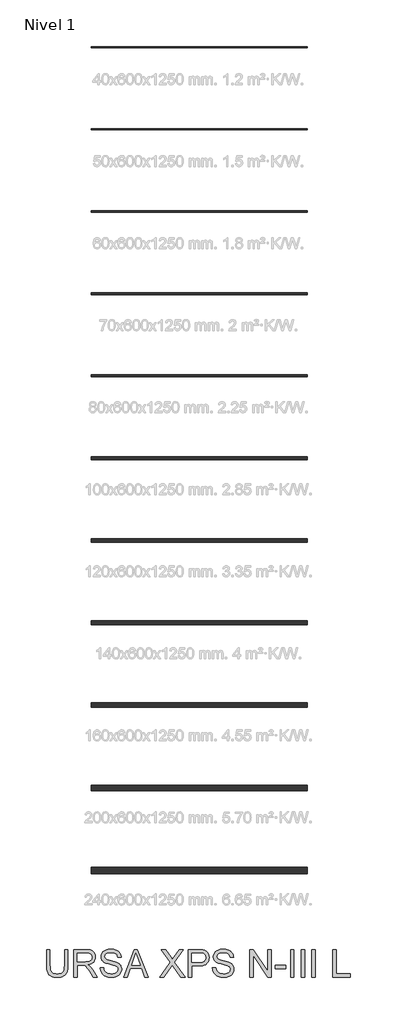
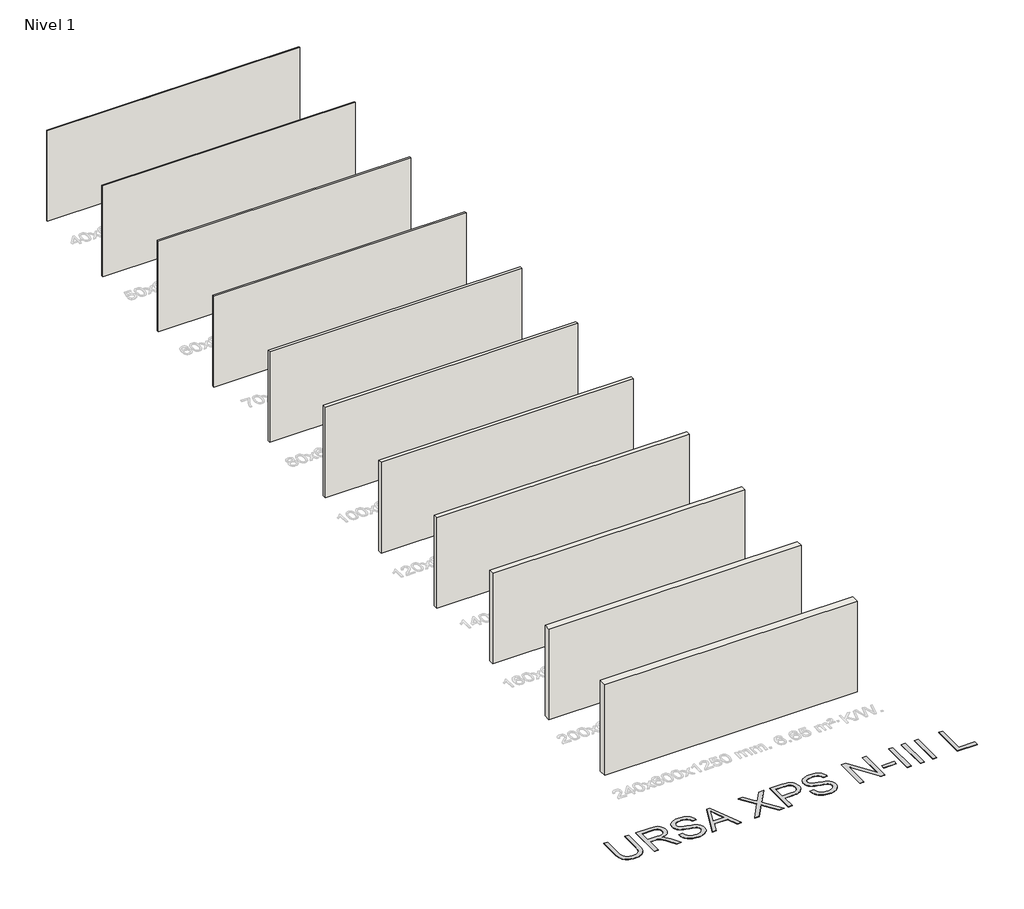
# One storey, part 1 of 12: 11 walls, 1 proxy.
"""IFC4 building model written with IfcOpenShell, lengths in millimetres."""

from ifc_helpers import new_model, si_unit, origin, origin_with_axes, place, context, project, spatial, polyline, outline, extrude, element, save

model = new_model("IFC4")

# Units and contexts
model_context = context("Model", 3, world=origin())
ifc_project = project(units=[si_unit("LENGTHUNIT", "METRE", prefix="MILLI")], contexts=[model_context])

# Site, building, storey
site = spatial("IfcSite", under=ifc_project)
building = spatial("IfcBuilding", under=site)
storey = spatial("IfcBuildingStorey", under=building, Name="Nivel 1", Elevation=0.0)

# Proxy
placement = place(None, origin())
element("IfcBuildingElementProxy", 1, Name="Texto de modelo 2", ObjectType="Texto de modelo 2", at=placement, inside=storey, context=model_context, shape_type="SweptSolid", body=[
    extrude(outline(polyline([(-7512.76778, -29053.8387308), (-7387.1973923, -29053.8387308), (-7387.1973923, -29633.3755006), (-7389.3280422, -29705.1354823), (-7395.7199918, -29769.0933), (-7406.3732413, -29825.2489537), (-7421.2877905, -29873.6024434), (-7441.7512265, -29915.985515), (-7469.0511362, -29954.229914), (-7503.1875197, -29988.3356407), (-7544.1603769, -30018.3026949), (-7592.0156931, -30042.7131981), (-7646.7994535, -30060.1492718), (-7708.5116582, -30070.6109161), (-7777.1523072, -30074.0981308), (-7844.0991661, -30071.0631043), (-7904.6540753, -30061.958025), (-7958.8170349, -30046.7828927), (-8006.5880448, -30025.5377074), (-8047.9747693, -29998.5367018), (-8082.9848725, -29966.0941084), (-8111.6183544, -29928.2099271), (-8133.8752152, -29884.8841579), (-8150.5601965, -29834.6299446), (-8162.4780403, -29775.9604305), (-8169.6287466, -29708.8756159), (-8172.0123153, -29633.3755006), (-8172.0123153, -29053.8387308), (-8046.4419276, -29053.8387308), (-8046.4419276, -29628.9609166), (-8044.8937576, -29689.66911), (-8040.2492474, -29741.8087187), (-8032.5083971, -29785.3797425), (-8021.6712066, -29820.3821815), (-8007.0632257, -29849.3452244), (-7988.0100041, -29874.7980599), (-7964.5115416, -29896.7406881), (-7936.5678384, -29915.1731089), (-7904.715389, -29929.7657614), (-7869.490688, -29940.1890846), (-7830.8937353, -29946.4430785), (-7788.924531, -29948.5277431), (-7719.7167307, -29944.4043991), (-7661.208165, -29932.034367), (-7613.3988341, -29911.4176468), (-7593.5063816, -29898.0167788), (-7576.2887378, -29882.5542386), (-7561.4010133, -29864.1601389), (-7548.4983187, -29841.9645918), (-7528.6480194, -29786.1691559), (-7516.7378398, -29715.1679308), (-7512.76778, -29628.9609166), (-7512.76778, -29053.8387308)])), origin_with_axes(), (0.0, 0.0, 1.0), 10.0),
    extrude(outline(polyline([(-7167.4492138, -30058.4018323), (-7167.4492138, -29053.8387308), (-6734.5747328, -29053.8387308), (-6672.4409967, -29055.5325209), (-6618.2320519, -29060.6138909), (-6571.9478983, -29069.082841), (-6533.5885361, -29080.9393712), (-6500.9236806, -29097.0955221), (-6471.7230473, -29118.4633347), (-6445.986636, -29145.0428088), (-6423.7144469, -29176.8339446), (-6405.7418786, -29212.1276235), (-6392.9043298, -29249.2147271), (-6385.2018005, -29288.0952555), (-6382.6342908, -29328.7692086), (-6386.8879263, -29380.3646584), (-6399.6488331, -29427.7294653), (-6420.9170109, -29470.8636292), (-6450.6924599, -29509.7671502), (-6489.3583904, -29543.1984265), (-6537.2980129, -29569.9158564), (-6594.5113274, -29589.9194399), (-6660.9983338, -29603.209177), (-6619.6116093, -29630.2485036), (-6589.6292267, -29656.9199483), (-6538.1870611, -29717.9270458), (-6487.8485414, -29786.1691559), (-6320.3396063, -30058.4018323), (-6466.266131, -30058.4018323), (-6596.9868666, -29850.1806231), (-6649.2874236, -29770.7181121), (-6691.4099121, -29712.3475022), (-6726.5119858, -29672.1563942), (-6757.7512985, -29647.2323891), (-6787.3351423, -29632.6090798), (-6817.4708091, -29623.3200594), (-6890.3114441, -29618.9054754), (-7041.8788261, -29618.9054754), (-7041.8788261, -30058.4018323), (-7167.4492138, -30058.4018323)]), holes=[polyline([(-7041.8788261, -29493.3350877), (-6760.8169818, -29493.3350877), (-6680.0975407, -29488.889847), (-6617.465631, -29475.5541246), (-6592.2810428, -29465.3300709), (-6570.315422, -29452.4388726), (-6551.5687686, -29436.8805299), (-6536.0410828, -29418.6550427), (-6523.8626559, -29398.6591234), (-6515.1637795, -29377.7894844), (-6509.9444537, -29356.0461257), (-6508.2046785, -29333.4290472), (-6511.5232806, -29301.3160147), (-6521.4790871, -29272.176695), (-6538.072098, -29246.0110881), (-6561.3023131, -29222.819194), (-6591.7062272, -29203.827286), (-6629.8203347, -29190.2616374), (-6675.6446357, -29182.1222482), (-6729.1791302, -29179.4091185), (-7041.8788261, -29179.4091185), (-7041.8788261, -29493.3350877)])]), origin_with_axes(), (0.0, 0.0, 1.0), 10.0),
    extrude(outline(polyline([(-6209.9750077, -29713.0832662), (-6084.40462, -29713.0832662), (-6078.6564638, -29749.6338753), (-6069.9959085, -29782.7662475), (-6058.4229541, -29812.4803828), (-6043.9376006, -29838.7762812), (-6025.8040839, -29862.1827732), (-6003.2866401, -29883.228689), (-5976.3852692, -29901.9140286), (-5945.0999712, -29918.2387922), (-5910.5803773, -29931.4902082), (-5873.9761188, -29940.9555054), (-5835.2871956, -29946.6346837), (-5794.5136078, -29948.5277431), (-5724.5547151, -29942.7949154), (-5692.8402214, -29935.6288807), (-5663.3023629, -29925.5964321), (-5636.6692393, -29913.0577874), (-5613.6689504, -29898.3731644), (-5594.3014962, -29881.5425632), (-5578.5668767, -29862.5659836), (-5566.3884498, -29842.263496), (-5557.6895734, -29821.4551706), (-5552.4702476, -29800.1410075), (-5550.7304724, -29778.3210067), (-5555.942134, -29736.2904887), (-5571.5771187, -29699.9621417), (-5584.7289001, -29683.8443118), (-5603.3375977, -29668.9680836), (-5627.4032115, -29655.3334572), (-5656.9257416, -29642.9404325), (-5723.2364713, -29623.2280889), (-5839.7630932, -29594.9931457), (-5959.7845942, -29563.2633237), (-6003.5855442, -29547.9732282), (-6036.5799607, -29533.0663432), (-6070.1108717, -29513.0627597), (-6099.089243, -29490.8212274), (-6123.5150746, -29466.3417463), (-6143.3883666, -29439.6243164), (-6158.7857609, -29410.9448492), (-6169.7838997, -29380.5792562), (-6176.382783, -29348.5275374), (-6178.5824108, -29314.7896928), (-6175.8616169, -29277.3960208), (-6167.6992351, -29241.2439506), (-6154.0952655, -29206.333482), (-6135.049708, -29172.6646153), (-6110.7771606, -29141.6092435), (-6081.4922209, -29114.53926), (-6047.1948891, -29091.4546648), (-6007.885165, -29072.3554579), (-5964.8889568, -29057.3872593), (-5919.5321725, -29046.6956888), (-5871.8148121, -29040.2807465), (-5821.7368755, -29038.1424324), (-5767.1063992, -29040.3803812), (-5715.7868609, -29047.0942276), (-5667.7782605, -29058.2839716), (-5623.0805981, -29073.9496132), (-5582.5216081, -29093.9531967), (-5546.9290251, -29118.1567663), (-5516.302849, -29146.560322), (-5490.6430798, -29179.1638639), (-5470.148987, -29215.01703), (-5455.0198399, -29253.1694586), (-5445.2556387, -29293.6211496), (-5440.8563831, -29336.3721031), (-5566.4267708, -29336.3721031), (-5574.826743, -29296.3036225), (-5589.4807092, -29261.4468035), (-5610.3886692, -29231.801646), (-5637.5506232, -29207.3681502), (-5671.4724089, -29188.2689432), (-5712.6598639, -29174.6266526), (-5761.1129883, -29166.4412782), (-5816.8317822, -29163.7128201), (-5874.3286724, -29166.4106214), (-5923.4562471, -29174.5040253), (-5964.2145065, -29187.9930317), (-5996.6034505, -29206.8776408), (-6021.282201, -29229.5790256), (-6038.90988, -29254.5183592), (-6049.4864873, -29281.6956416), (-6053.0120231, -29311.1108728), (-6050.5134912, -29336.4180884), (-6043.0178956, -29359.3647278), (-6030.5252361, -29379.9507911), (-6013.035513, -29398.1762783), (-5985.505677, -29415.4360753), (-5942.1569152, -29432.8798132), (-5882.9892277, -29450.5074921), (-5808.0026143, -29468.3191121), (-5669.5563568, -29501.9803146), (-5620.8426493, -29517.2014322), (-5585.8018892, -29531.3495606), (-5547.3045713, -29552.7940152), (-5514.2181843, -29576.9056143), (-5486.5427284, -29603.6843579), (-5464.2782035, -29633.1302459), (-5447.1640265, -29665.0899942), (-5434.9396144, -29699.4103187), (-5427.6049671, -29736.0912193), (-5425.1600847, -29775.1326961), (-5427.9728491, -29814.4117632), (-5436.4111424, -29852.5411992), (-5450.4749645, -29889.5210039), (-5470.1643154, -29925.3511774), (-5495.1343058, -29958.644498), (-5525.0400464, -29988.0137439), (-5559.881537, -30013.4589153), (-5599.6587777, -30034.980012), (-5643.2144731, -30052.094189), (-5689.3913277, -30064.3186011), (-5738.1893415, -30071.6532484), (-5789.6085146, -30074.0981308), (-5853.8422438, -30071.4616432), (-5912.6343851, -30063.5521803), (-5965.9849386, -30050.3697421), (-6013.8939043, -30031.9143287), (-6056.652522, -30008.1552832), (-6094.5520317, -29979.0619487), (-6127.5924334, -29944.6343253), (-6155.7737271, -29904.872413), (-6178.4751119, -29861.0637988), (-6195.0757869, -29814.4960695), (-6205.5757522, -29765.1692253), (-6209.9750077, -29713.0832662)])), origin_with_axes(), (0.0, 0.0, 1.0), 10.0),
    extrude(outline(polyline([(-5353.7909776, -30058.4018323), (-4952.7996029, -29053.8387308), (-4845.8685696, -29053.8387308), (-4444.8771949, -30058.4018323), (-4577.5599678, -30058.4018323), (-4692.5844049, -29744.4758631), (-5106.3290222, -29744.4758631), (-5221.1082047, -30058.4018323), (-5353.7909776, -30058.4018323)]), holes=[polyline([(-5060.2211455, -29618.9054754), (-4738.447027, -29618.9054754), (-4828.9459978, -29371.9340293), (-4899.3340862, -29179.4091185), (-4961.8740254, -29350.351619), (-5060.2211455, -29618.9054754)])]), origin_with_axes(), (0.0, 0.0, 1.0), 10.0),
    extrude(outline(polyline([(-4028.1895216, -30058.4018323), (-3640.9324081, -29510.9934235), (-3965.4043278, -29053.8387308), (-3814.8179644, -29053.8387308), (-3632.1032402, -29311.1108728), (-3588.5092237, -29376.2872996), (-3570.5443196, -29411.4200302), (-3498.4394486, -29309.3940902), (-3317.6867616, -29053.8387308), (-3164.8931063, -29053.8387308), (-3489.365026, -29512.4649515), (-3102.1079125, -30058.4018323), (-3252.6942758, -30058.4018323), (-3510.7021818, -29694.4439118), (-3564.4129531, -29618.9054754), (-3623.519327, -29701.8015517), (-3875.3958663, -30058.4018323), (-4028.1895216, -30058.4018323)])), origin_with_axes(), (0.0, 0.0, 1.0), 10.0),
    extrude(outline(polyline([(-2976.5375248, -30058.4018323), (-2976.5375248, -29053.8387308), (-2604.2409457, -29053.8387308), (-2517.5434221, -29056.2299638), (-2454.1450916, -29063.4036627), (-2419.2039663, -29070.9375794), (-2387.2212253, -29081.2765963), (-2358.1968688, -29094.4207134), (-2332.1308966, -29110.3699308), (-2308.7473972, -29129.4538093), (-2287.7704593, -29152.0019099), (-2269.2000828, -29178.0142326), (-2253.0362676, -29207.4907775), (-2239.9457999, -29239.45819), (-2230.5954659, -29272.9431158), (-2224.9852655, -29307.9455548), (-2223.1151986, -29344.465507), (-2228.1659119, -29406.1317265), (-2243.3180515, -29462.8621958), (-2268.5716177, -29514.656915), (-2303.9266103, -29561.5158842), (-2326.1623944, -29582.3242095), (-2352.464041, -29600.3580915), (-2382.8315501, -29615.6175301), (-2417.2649216, -29628.1025253), (-2455.7641556, -29637.8130771), (-2498.3292521, -29644.7491856), (-2595.6570324, -29650.2980724), (-2850.9671371, -29650.2980724), (-2850.9671371, -30058.4018323), (-2976.5375248, -30058.4018323)]), holes=[polyline([(-2850.9671371, -29524.7276847), (-2588.2993925, -29524.7276847), (-2527.9054317, -29521.8459424), (-2476.9537753, -29513.2007155), (-2435.4444235, -29498.792004), (-2403.3773763, -29478.6198079), (-2379.4497182, -29453.2206219), (-2362.3585338, -29423.1309403), (-2352.1038232, -29388.3507634), (-2348.6855863, -29348.880091), (-2350.7012731, -29319.5721587), (-2356.7483334, -29292.4715184), (-2366.8267672, -29267.57817), (-2380.9365746, -29244.8921137), (-2398.3266631, -29225.1491133), (-2418.2459403, -29209.0849328), (-2440.6944062, -29196.6995723), (-2465.6720608, -29187.9930317), (-2514.1098568, -29181.5550968), (-2591.2424485, -29179.4091185), (-2850.9671371, -29179.4091185), (-2850.9671371, -29524.7276847)])]), origin_with_axes(), (0.0, 0.0, 1.0), 10.0),
    extrude(outline(polyline([(-2097.544811, -29713.0832662), (-1971.9744233, -29713.0832662), (-1966.2262671, -29749.6338753), (-1957.5657118, -29782.7662475), (-1945.9927574, -29812.4803828), (-1931.5074038, -29838.7762812), (-1913.3738871, -29862.1827732), (-1890.8564433, -29883.228689), (-1863.9550724, -29901.9140286), (-1832.6697744, -29918.2387922), (-1798.1501806, -29931.4902082), (-1761.545922, -29940.9555054), (-1722.8569989, -29946.6346837), (-1682.0834111, -29948.5277431), (-1612.1245183, -29942.7949154), (-1580.4100247, -29935.6288807), (-1550.8721661, -29925.5964321), (-1524.2390425, -29913.0577874), (-1501.2387536, -29898.3731644), (-1481.8712994, -29881.5425632), (-1466.1366799, -29862.5659836), (-1453.958253, -29842.263496), (-1445.2593767, -29821.4551706), (-1440.0400509, -29800.1410075), (-1438.3002756, -29778.3210067), (-1443.5119372, -29736.2904887), (-1459.146922, -29699.9621417), (-1472.2987033, -29683.8443118), (-1490.9074009, -29668.9680836), (-1514.9730148, -29655.3334572), (-1544.4955449, -29642.9404325), (-1610.8062745, -29623.2280889), (-1727.3328965, -29594.9931457), (-1847.3543974, -29563.2633237), (-1891.1553475, -29547.9732282), (-1924.1497639, -29533.0663432), (-1957.6806749, -29513.0627597), (-1986.6590462, -29490.8212274), (-2011.0848779, -29466.3417463), (-2030.9581698, -29439.6243164), (-2046.3555642, -29410.9448492), (-2057.353703, -29380.5792562), (-2063.9525863, -29348.5275374), (-2066.152214, -29314.7896928), (-2063.4314201, -29277.3960208), (-2055.2690383, -29241.2439506), (-2041.6650687, -29206.333482), (-2022.6195113, -29172.6646153), (-1998.3469638, -29141.6092435), (-1969.0620241, -29114.53926), (-1934.7646923, -29091.4546648), (-1895.4549683, -29072.3554579), (-1852.4587601, -29057.3872593), (-1807.1019758, -29046.6956888), (-1759.3846153, -29040.2807465), (-1709.3066787, -29038.1424324), (-1654.6762024, -29040.3803812), (-1603.3566641, -29047.0942276), (-1555.3480637, -29058.2839716), (-1510.6504013, -29073.9496132), (-1470.0914114, -29093.9531967), (-1434.4988283, -29118.1567663), (-1403.8726522, -29146.560322), (-1378.2128831, -29179.1638639), (-1357.7187902, -29215.01703), (-1342.5896432, -29253.1694586), (-1332.8254419, -29293.6211496), (-1328.4261864, -29336.3721031), (-1453.9965741, -29336.3721031), (-1462.3965463, -29296.3036225), (-1477.0505124, -29261.4468035), (-1497.9584725, -29231.801646), (-1525.1204265, -29207.3681502), (-1559.0422121, -29188.2689432), (-1600.2296671, -29174.6266526), (-1648.6827916, -29166.4412782), (-1704.4015854, -29163.7128201), (-1761.8984756, -29166.4106214), (-1811.0260504, -29174.5040253), (-1851.7843098, -29187.9930317), (-1884.1732538, -29206.8776408), (-1908.8520043, -29229.5790256), (-1926.4796832, -29254.5183592), (-1937.0562906, -29281.6956416), (-1940.5818264, -29311.1108728), (-1938.0832945, -29336.4180884), (-1930.5876988, -29359.3647278), (-1918.0950394, -29379.9507911), (-1900.6053162, -29398.1762783), (-1873.0754802, -29415.4360753), (-1829.7267185, -29432.8798132), (-1770.5590309, -29450.5074921), (-1695.5724176, -29468.3191121), (-1557.12616, -29501.9803146), (-1508.4124525, -29517.2014322), (-1473.3716925, -29531.3495606), (-1434.8743745, -29552.7940152), (-1401.7879876, -29576.9056143), (-1374.1125317, -29603.6843579), (-1351.8480067, -29633.1302459), (-1334.7338298, -29665.0899942), (-1322.5094176, -29699.4103187), (-1315.1747703, -29736.0912193), (-1312.7298879, -29775.1326961), (-1315.5426523, -29814.4117632), (-1323.9809456, -29852.5411992), (-1338.0447677, -29889.5210039), (-1357.7341187, -29925.3511774), (-1382.7041091, -29958.644498), (-1412.6098496, -29988.0137439), (-1447.4513402, -30013.4589153), (-1487.228581, -30034.980012), (-1530.7842763, -30052.094189), (-1576.961131, -30064.3186011), (-1625.7591448, -30071.6532484), (-1677.1783178, -30074.0981308), (-1741.412047, -30071.4616432), (-1800.2041884, -30063.5521803), (-1853.5547419, -30050.3697421), (-1901.4637075, -30031.9143287), (-1944.2223253, -30008.1552832), (-1982.121835, -29979.0619487), (-2015.1622367, -29944.6343253), (-2043.3435303, -29904.872413), (-2066.0449151, -29861.0637988), (-2082.6455902, -29814.4960695), (-2093.1455554, -29765.1692253), (-2097.544811, -29713.0832662)])), origin_with_axes(), (0.0, 0.0, 1.0), 10.0),
    extrude(outline(polyline([(-731.9668449, -30058.4018323), (-731.9668449, -29053.8387308), (-597.5672893, -29053.8387308), (-72.7223095, -29849.6901137), (-72.7223095, -29053.8387308), (52.8480782, -29053.8387308), (52.8480782, -30058.4018323), (-81.5514774, -30058.4018323), (-606.3964572, -29262.3051948), (-606.3964572, -30058.4018323), (-731.9668449, -30058.4018323)])), origin_with_axes(), (0.0, 0.0, 1.0), 10.0),
    extrude(outline(polyline([(194.1147643, -29760.1721616), (194.1147643, -29634.6017739), (586.5222258, -29634.6017739), (586.5222258, -29760.1721616), (194.1147643, -29760.1721616)])), origin_with_axes(), (0.0, 0.0, 1.0), 10.0),
    extrude(outline(polyline([(759.1815089, -30058.4018323), (759.1815089, -29053.8387308), (884.7518966, -29053.8387308), (884.7518966, -30058.4018323), (759.1815089, -30058.4018323)])), origin_with_axes(), (0.0, 0.0, 1.0), 10.0),
    extrude(outline(polyline([(1151.5889704, -30058.4018323), (1151.5889704, -29053.8387308), (1277.1593581, -29053.8387308), (1277.1593581, -30058.4018323), (1151.5889704, -30058.4018323)])), origin_with_axes(), (0.0, 0.0, 1.0), 10.0),
    extrude(outline(polyline([(1543.996432, -30058.4018323), (1543.996432, -29053.8387308), (1669.5668196, -29053.8387308), (1669.5668196, -30058.4018323), (1543.996432, -30058.4018323)])), origin_with_axes(), (0.0, 0.0, 1.0), 10.0),
    extrude(outline(polyline([(2313.1150565, -30058.4018323), (2313.1150565, -29053.8387308), (2438.6854442, -29053.8387308), (2438.6854442, -29932.8314446), (2940.966995, -29932.8314446), (2940.966995, -30058.4018323), (2313.1150565, -30058.4018323)])), origin_with_axes(), (0.0, 0.0, 1.0), 10.0),
])

# Walls
element("IfcWall", 2, at=placement, inside=storey, context=model_context, shape_type="SweptSolid", body=[
    extrude(outline(polyline([(1368.7582768, 3960.3831431), (-6531.2417232, 3960.3831431), (-6531.2417232, 4000.3831431), (1368.7582768, 4000.3831431), (1368.7582768, 3960.3831431)])), origin_with_axes(), (0.0, 0.0, 1.0), 3000.0),
])
element("IfcWall", 3, at=placement, inside=storey, context=model_context, shape_type="SweptSolid", body=[
    extrude(outline(polyline([(1368.7582768, 950.3831431), (-6531.2417232, 950.3831431), (-6531.2417232, 1000.3831431), (1368.7582768, 1000.3831431), (1368.7582768, 950.3831431)])), origin_with_axes(), (0.0, 0.0, 1.0), 3000.0),
])
element("IfcWall", 4, at=placement, inside=storey, context=model_context, shape_type="SweptSolid", body=[
    extrude(outline(polyline([(1368.7582768, -2063.6168569), (-6531.2417232, -2063.6168569), (-6531.2417232, -2003.6168569), (1368.7582768, -2003.6168569), (1368.7582768, -2063.6168569)])), origin_with_axes(), (0.0, 0.0, 1.0), 3000.0),
])
element("IfcWall", 5, at=placement, inside=storey, context=model_context, shape_type="SweptSolid", body=[
    extrude(outline(polyline([(1368.7582768, -5077.6168569), (-6531.2417232, -5077.6168569), (-6531.2417232, -5007.6168569), (1368.7582768, -5007.6168569), (1368.7582768, -5077.6168569)])), origin_with_axes(), (0.0, 0.0, 1.0), 3000.0),
])
element("IfcWall", 6, at=placement, inside=storey, context=model_context, shape_type="SweptSolid", body=[
    extrude(outline(polyline([(1368.7582768, -8091.6168569), (-6531.2417232, -8091.6168569), (-6531.2417232, -8011.6168569), (1368.7582768, -8011.6168569), (1368.7582768, -8091.6168569)])), origin_with_axes(), (0.0, 0.0, 1.0), 3000.0),
])
element("IfcWall", 7, at=placement, inside=storey, context=model_context, shape_type="SweptSolid", body=[
    extrude(outline(polyline([(1368.7582768, -11115.6168569), (-6531.2417232, -11115.6168569), (-6531.2417232, -11015.6168569), (1368.7582768, -11015.6168569), (1368.7582768, -11115.6168569)])), origin_with_axes(), (0.0, 0.0, 1.0), 3000.0),
])
element("IfcWall", 8, at=placement, inside=storey, context=model_context, shape_type="SweptSolid", body=[
    extrude(outline(polyline([(1368.7582768, -14139.6168569), (-6531.2417232, -14139.6168569), (-6531.2417232, -14019.6168569), (1368.7582768, -14019.6168569), (1368.7582768, -14139.6168569)])), origin_with_axes(), (0.0, 0.0, 1.0), 3000.0),
])
element("IfcWall", 9, at=placement, inside=storey, context=model_context, shape_type="SweptSolid", body=[
    extrude(outline(polyline([(1368.7582768, -17163.6168569), (-6531.2417232, -17163.6168569), (-6531.2417232, -17023.6168569), (1368.7582768, -17023.6168569), (1368.7582768, -17163.6168569)])), origin_with_axes(), (0.0, 0.0, 1.0), 3000.0),
])
element("IfcWall", 10, at=placement, inside=storey, context=model_context, shape_type="SweptSolid", body=[
    extrude(outline(polyline([(1368.7582768, -20187.6168569), (-6531.2417232, -20187.6168569), (-6531.2417232, -20027.6168569), (1368.7582768, -20027.6168569), (1368.7582768, -20187.6168569)])), origin_with_axes(), (0.0, 0.0, 1.0), 3000.0),
])
element("IfcWall", 11, at=placement, inside=storey, context=model_context, shape_type="SweptSolid", body=[
    extrude(outline(polyline([(1368.7582768, -23231.6168569), (-6531.2417232, -23231.6168569), (-6531.2417232, -23031.6168569), (1368.7582768, -23031.6168569), (1368.7582768, -23231.6168569)])), origin_with_axes(), (0.0, 0.0, 1.0), 3000.0),
])
element("IfcWall", 12, at=placement, inside=storey, context=model_context, shape_type="SweptSolid", body=[
    extrude(outline(polyline([(1368.7582768, -26275.6168569), (-6531.2417232, -26275.6168569), (-6531.2417232, -26035.6168569), (1368.7582768, -26035.6168569), (1368.7582768, -26275.6168569)])), origin_with_axes(), (0.0, 0.0, 1.0), 3000.0),
])

save(model, "model.ifc")
